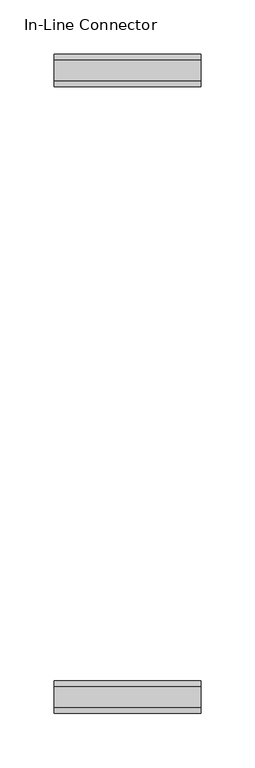
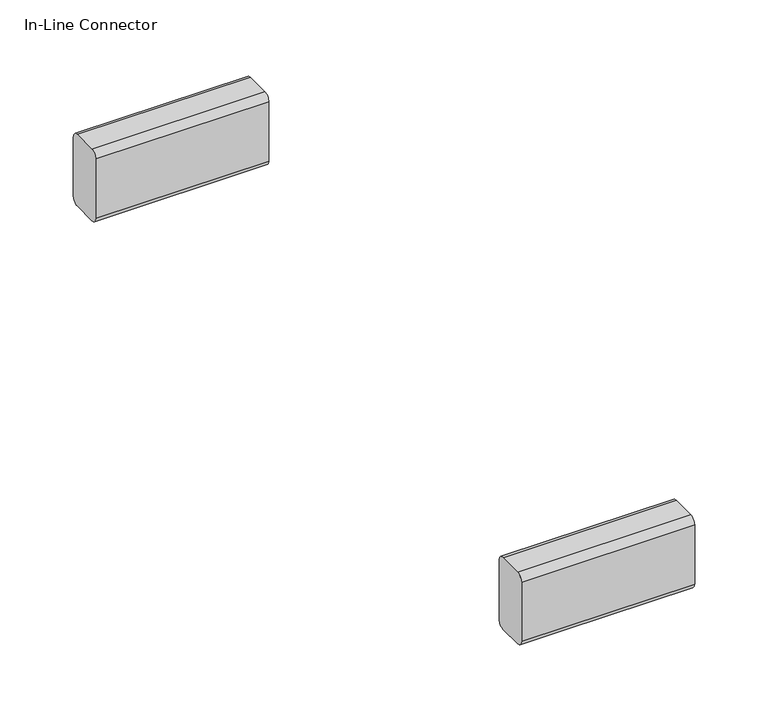
"""IFC4 building model written with IfcOpenShell, lengths in millimetres: furniture geometry, In-Line Connector."""

from ifc_helpers import new_model, si_unit, point, frame, frame_2d, origin, place, context, project, spatial, polyline, circle_curve, trimmed, segment, composite_curve, outline, extrude, source, transform, mapped, element, save


def in_line_connector_33bfc2a5(model_context):
    return source(origin(), model_context, "Body", "SweptSolid", [
        extrude(outline(composite_curve([segment(polyline([(108.865872, 130.0907271), (128.9876575, 130.0907271)]), True, "CONTINUOUS"), segment(trimmed(circle_curve(frame_2d((128.9876575, 125.0107271)), 5.08), [point((128.9876575, 130.0907271))], [point((134.0676575, 125.0107271))], False, "CARTESIAN"), True, "CONTINUOUS"), segment(polyline([(134.0676575, 125.0107271), (134.0676575, 75.5475648)]), True, "CONTINUOUS"), segment(trimmed(circle_curve(frame_2d((129.0980339, 75.5475648)), 4.9696236), [point((134.0676575, 75.5475648))], [point((129.0980339, 70.5779413))], False, "CARTESIAN"), True, "CONTINUOUS"), segment(polyline([(129.0980339, 70.5779413), (108.865872, 70.5779413)]), True, "CONTINUOUS"), segment(trimmed(circle_curve(frame_2d((108.865872, 75.6579413)), 5.08), [point((108.865872, 70.5779413))], [point((103.785872, 75.6579413))], False, "CARTESIAN"), True, "CONTINUOUS"), segment(polyline([(103.785872, 75.6579413), (103.785872, 125.0107271)]), True, "CONTINUOUS"), segment(trimmed(circle_curve(frame_2d((108.865872, 125.0107271)), 5.08), [point((103.785872, 125.0107271))], [point((108.865872, 130.0907271))], False, "CARTESIAN"), True, "CONTINUOUS")], self_intersect=False)), frame((0.0, 0.0, 0.0), z_axis=(1.0, 0.0, 0.0), x_axis=(0.0, 1.0, 0.0)), (0.0, 0.0, 1.0), 135.9853557),
        extrude(outline(composite_curve([segment(polyline([(688.6735965, 130.0907271), (708.795382, 130.0907271)]), True, "CONTINUOUS"), segment(trimmed(circle_curve(frame_2d((708.795382, 125.0107271)), 5.08), [point((708.795382, 130.0907271))], [point((713.875382, 125.0107271))], False, "CARTESIAN"), True, "CONTINUOUS"), segment(polyline([(713.875382, 125.0107271), (713.875382, 75.5475648)]), True, "CONTINUOUS"), segment(trimmed(circle_curve(frame_2d((708.9057584, 75.5475648)), 4.9696236), [point((713.875382, 75.5475648))], [point((708.9057584, 70.5779413))], False, "CARTESIAN"), True, "CONTINUOUS"), segment(polyline([(708.9057584, 70.5779413), (688.6735965, 70.5779413)]), True, "CONTINUOUS"), segment(trimmed(circle_curve(frame_2d((688.6735965, 75.6579413)), 5.08), [point((688.6735965, 70.5779413))], [point((683.5935965, 75.6579413))], False, "CARTESIAN"), True, "CONTINUOUS"), segment(polyline([(683.5935965, 75.6579413), (683.5935965, 125.0107271)]), True, "CONTINUOUS"), segment(trimmed(circle_curve(frame_2d((688.6735965, 125.0107271)), 5.08), [point((683.5935965, 125.0107271))], [point((688.6735965, 130.0907271))], False, "CARTESIAN"), True, "CONTINUOUS")], self_intersect=False)), frame((0.0, 0.0, 0.0), z_axis=(1.0, 0.0, 0.0), x_axis=(0.0, 1.0, 0.0)), (0.0, 0.0, 1.0), 135.9853557),
    ])


if __name__ == "__main__":
    model = new_model("IFC4")
    model_context = context("Model", 3, world=origin())
    ifc_project = project(units=[si_unit("LENGTHUNIT", "METRE", prefix="MILLI")], contexts=[model_context])
    site = spatial("IfcSite", under=ifc_project)
    building = spatial("IfcBuilding", under=site)
    placement = place(None, origin())
    in_line_connector_shape = in_line_connector_33bfc2a5(model_context)
    element("IfcFurniture", 1, ObjectType="In-Line Connector", at=placement, inside=building, context=model_context, shape_type="MappedRepresentation", body=[
        mapped(in_line_connector_shape, transform((0.0, 0.0, 0.0), x_axis=(1.0, 0.0, 0.0), y_axis=(0.0, 1.0, 0.0), z_axis=(0.0, 0.0, 1.0))),
    ])
    save(model, "model.ifc")
